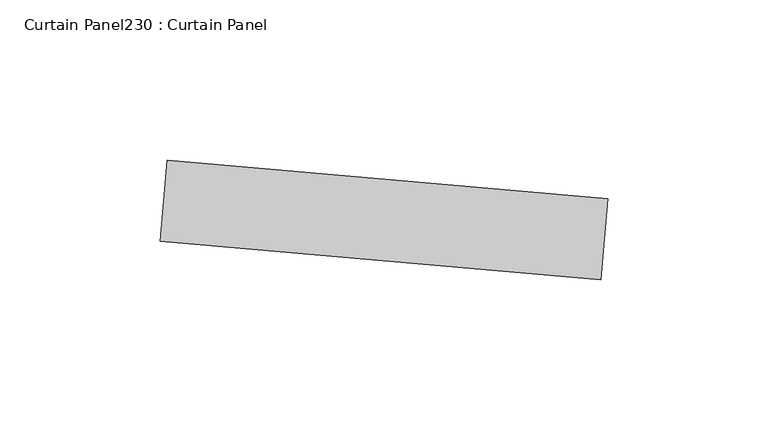
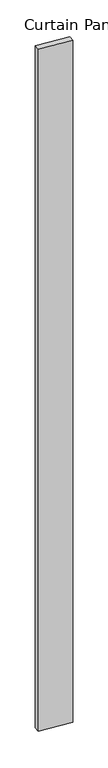
"""IFC4 building model written with IfcOpenShell, lengths in millimetres: plate geometry, Curtain Panel230 : Curtain Panel."""

from ifc_helpers import new_model, si_unit, frame, origin, place, context, project, spatial, polyline, outline, extrude, source, transform, mapped, element, save


def curtain_panel230_curtain_panel_49b3c90f(model_context):
    return source(origin(), model_context, "Body", "SweptSolid", [
        extrude(outline(polyline([(637227.0543513, 2215.3656297), (637089.5838987, 2227.3927359), (637091.7976545, 2252.6960812), (637229.2681071, 2240.668975), (637227.0543513, 2215.3656297)])), frame((0.0, 0.0, 4959.7989371), z_axis=(0.0, 0.0, 1.0), x_axis=(1.0, 0.0, 0.0)), (0.0, 0.0, 1.0), 3048.0),
    ])


if __name__ == "__main__":
    model = new_model("IFC4")
    model_context = context("Model", 3, world=origin())
    ifc_project = project(units=[si_unit("LENGTHUNIT", "METRE", prefix="MILLI")], contexts=[model_context])
    site = spatial("IfcSite", under=ifc_project)
    building = spatial("IfcBuilding", under=site)
    placement = place(None, origin())
    curtain_panel230_curtain_panel_shape = curtain_panel230_curtain_panel_49b3c90f(model_context)
    element("IfcPlate", 1, ObjectType="Curtain Panel230 : Curtain Panel", at=placement, inside=building, context=model_context, shape_type="MappedRepresentation", body=[
        mapped(curtain_panel230_curtain_panel_shape, transform((0.0, 0.0, 0.0), x_axis=(1.0, 0.0, 0.0), y_axis=(0.0, 1.0, 0.0), z_axis=(0.0, 0.0, 1.0))),
    ])
    save(model, "model.ifc")
